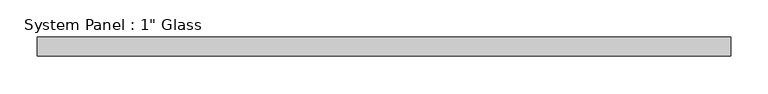
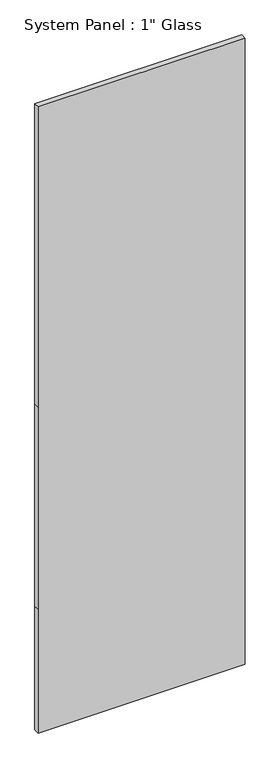
"""IFC4 building model written with IfcOpenShell, lengths in millimetres: plate geometry."""

from ifc_helpers import new_model, si_unit, frame, origin, place, context, project, spatial, polyline, outline, extrude, source, transform, mapped, element, save


def plate_ff7b9943(model_context):
    return source(origin(), model_context, "Body", "SweptSolid", [
        extrude(outline(polyline([(0.0, -463.1158815), (0.0, 463.1158815), (584.2, 463.1158815), (1539.875, 463.1158815), (2959.1, 463.1158815), (2959.1, -463.1158815), (1539.875, -463.1158815), (584.2, -463.1158815), (0.0, -463.1158815)])), frame((0.0, -12.7, 0.0), z_axis=(0.0, 1.0, 0.0), x_axis=(0.0, 0.0, 1.0)), (0.0, 0.0, 1.0), 25.4),
    ])


if __name__ == "__main__":
    model = new_model("IFC4")
    model_context = context("Model", 3, world=origin())
    ifc_project = project(units=[si_unit("LENGTHUNIT", "METRE", prefix="MILLI")], contexts=[model_context])
    site = spatial("IfcSite", under=ifc_project)
    building = spatial("IfcBuilding", under=site)
    placement = place(None, origin())
    plate_shape = plate_ff7b9943(model_context)
    element("IfcPlate", 1, ObjectType="System Panel : 1\" Glass", at=placement, inside=building, context=model_context, shape_type="MappedRepresentation", body=[
        mapped(plate_shape, transform((0.0, 0.0, 0.0), x_axis=(1.0, 0.0, 0.0), y_axis=(0.0, 1.0, 0.0), z_axis=(0.0, 0.0, 1.0))),
    ])
    save(model, "model.ifc")
